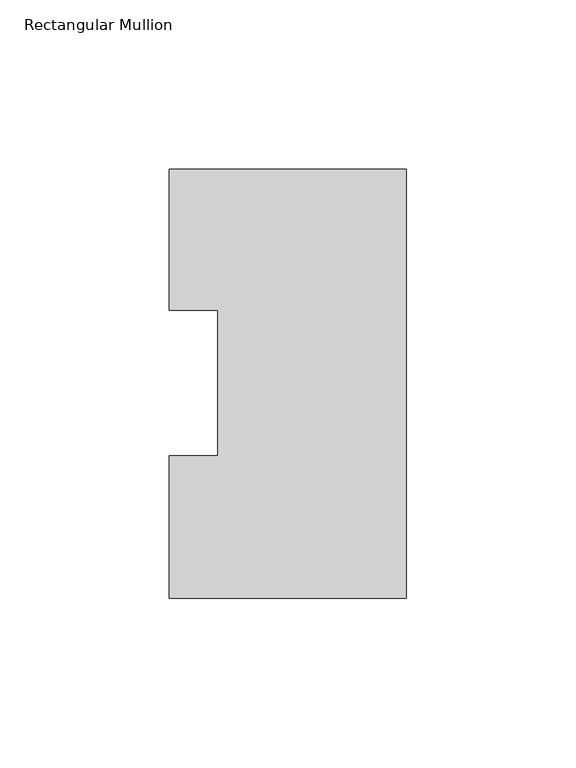
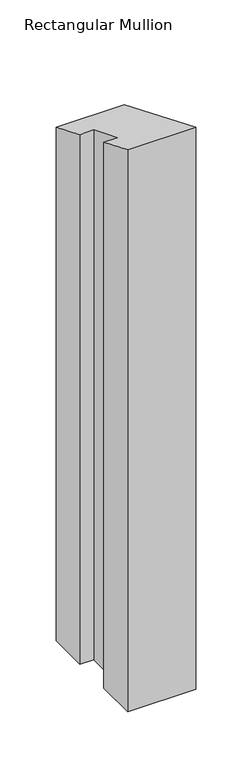
"""IFC4 building model written with IfcOpenShell, lengths in millimetres: member geometry, Rectangular Mullion."""

from ifc_helpers import new_model, si_unit, origin, place, context, project, spatial, faceted_brep, source, transform, mapped, element, save


def rectangular_mullion_8d5ddeac(model_context):
    return source(origin(), model_context, "Body", "Brep", [
        faceted_brep([(-69.85, 0.2428875, -609.6), (-69.85, 42.2798875, -609.6), (-55.56504, 42.2798875, -609.6), (-55.56504, 85.1296875, -609.6), (-69.85, 85.1296875, -609.6), (-69.85, 126.7348875, -609.6), (0.0, 126.7348875, -609.6), (0.0, 0.2428875, -609.6), (0.0, 0.2428875, -0.1006073), (-69.85, 0.2428875, -0.1006073), (0.0, 126.7348875, -52.4953092), (-69.85, 126.7348875, -52.4953092), (-69.85, 85.1296875, -35.2618711), (-55.56504, 85.1296875, -35.2618711), (-55.56504, 42.2798875, -17.5129028), (-69.85, 42.2798875, -17.5129028)], [[[0, 1, 2, 3, 4, 5, 6, 7]], [[8, 9, 0, 7]], [[10, 8, 7, 6]], [[11, 10, 6, 5]], [[12, 11, 5, 4]], [[13, 12, 4, 3]], [[14, 13, 3, 2]], [[15, 14, 2, 1]], [[9, 15, 1, 0]], [[9, 8, 10, 11, 12, 13, 14, 15]]]),
    ])


if __name__ == "__main__":
    model = new_model("IFC4")
    model_context = context("Model", 3, world=origin())
    ifc_project = project(units=[si_unit("LENGTHUNIT", "METRE", prefix="MILLI")], contexts=[model_context])
    site = spatial("IfcSite", under=ifc_project)
    building = spatial("IfcBuilding", under=site)
    placement = place(None, origin())
    rectangular_mullion_shape = rectangular_mullion_8d5ddeac(model_context)
    element("IfcMember", 1, ObjectType="Rectangular Mullion", at=placement, inside=building, context=model_context, shape_type="MappedRepresentation", body=[
        mapped(rectangular_mullion_shape, transform((0.0, 0.0, 0.0), x_axis=(1.0, 0.0, 0.0), y_axis=(0.0, 1.0, 0.0), z_axis=(0.0, 0.0, 1.0))),
    ])
    save(model, "model.ifc")
